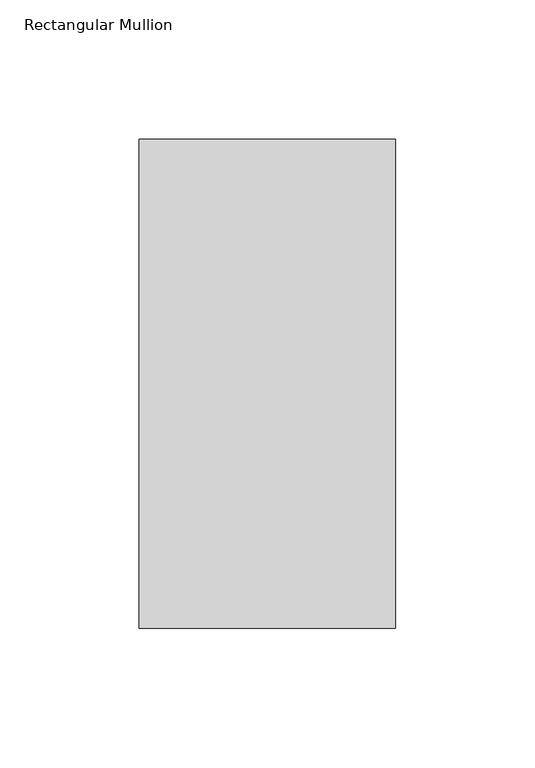
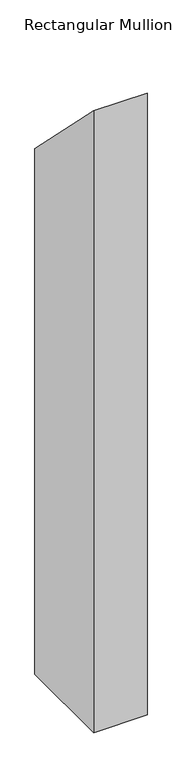
"""IFC4 building model written with IfcOpenShell, lengths in millimetres: member geometry, Rectangular Mullion."""

from ifc_helpers import new_model, si_unit, frame, origin, place, context, project, spatial, polyline, outline, extrude, source, transform, mapped, element, save


def rectangular_mullion_bfbbbda6(model_context):
    return source(origin(), model_context, "Body", "SweptSolid", [
        extrude(outline(polyline([(46.7447302, -46.7447302), (222.1571312, -222.1571312), (222.1571312, -1181.4194229), (46.7447302, -1181.4194229), (46.7447302, -46.7447302)])), frame((-92.0876999, 0.0, 0.0), z_axis=(1.0, 0.0, 0.0), x_axis=(0.0, 1.0, 0.0)), (0.0, 0.0, 1.0), 92.0876999),
    ])


if __name__ == "__main__":
    model = new_model("IFC4")
    model_context = context("Model", 3, world=origin())
    ifc_project = project(units=[si_unit("LENGTHUNIT", "METRE", prefix="MILLI")], contexts=[model_context])
    site = spatial("IfcSite", under=ifc_project)
    building = spatial("IfcBuilding", under=site)
    placement = place(None, origin())
    rectangular_mullion_shape = rectangular_mullion_bfbbbda6(model_context)
    element("IfcMember", 1, ObjectType="Rectangular Mullion", at=placement, inside=building, context=model_context, shape_type="MappedRepresentation", body=[
        mapped(rectangular_mullion_shape, transform((0.0, 0.0, 0.0), x_axis=(1.0, 0.0, 0.0), y_axis=(0.0, 1.0, 0.0), z_axis=(0.0, 0.0, 1.0))),
    ])
    save(model, "model.ifc")
